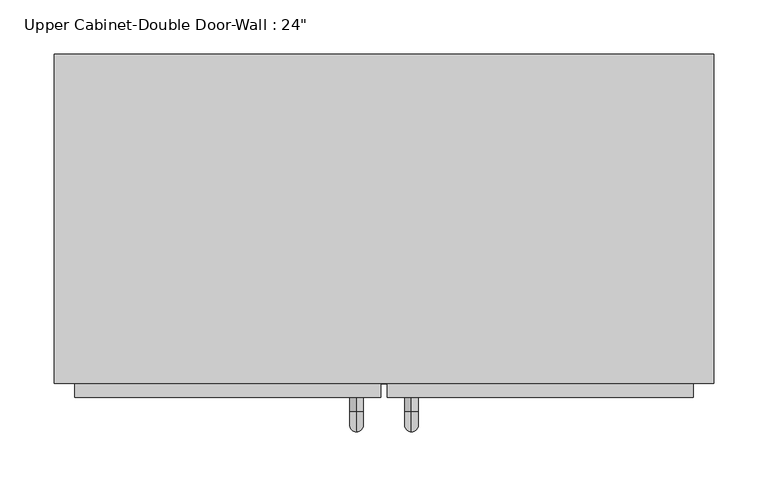
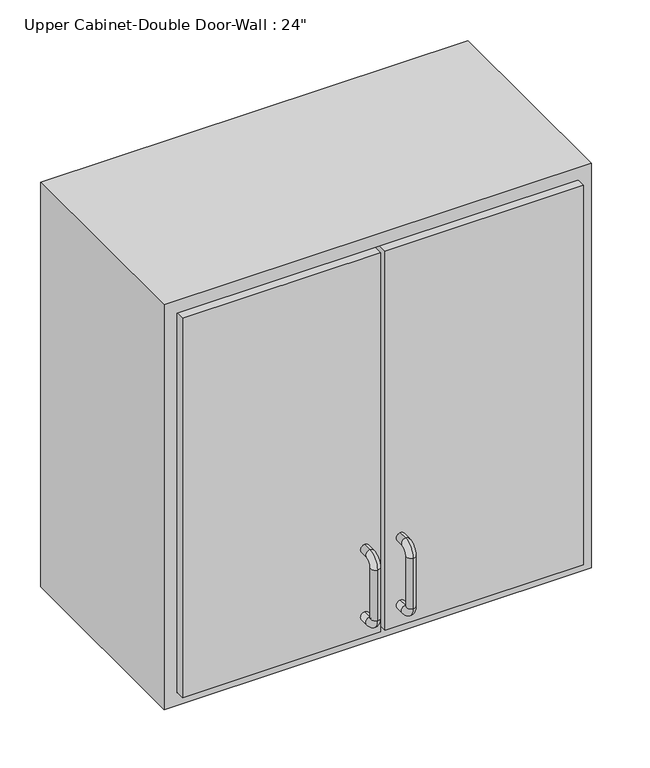
"""IFC4 building model written with IfcOpenShell, lengths in millimetres: furniture geometry."""

from ifc_helpers import new_model, si_unit, point, frame, origin, place, context, project, spatial, polyline, circle_curve, ellipse_curve, trimmed, outline, extrude, faceted_brep, source, transform, mapped, element, save
from ifc_brep_helpers import plane_surface, cylinder_surface, revolved_surface, advanced_brep


def furniture_967c3f8e(model_context):
    return source(origin(), model_context, "Body", "SolidModel", [
        faceted_brep([(-275.0288372, -76.2, 2133.6), (334.5711628, -76.2, 2133.6), (334.5711628, -76.2, 1524.0), (-275.0288372, -76.2, 1524.0), (-275.0288372, -381.0, 2133.6), (-275.0288372, -381.0, 1524.0), (334.5711628, -381.0, 1524.0), (334.5711628, -381.0, 2133.6), (-255.9788372, -381.0, 2114.55), (315.5211628, -381.0, 2114.55), (315.5211628, -381.0, 1543.05), (-255.9788372, -381.0, 1543.05), (-255.9788372, -95.25, 2114.55), (315.5211628, -95.25, 2114.55), (315.5211628, -95.25, 1543.05), (-255.9788372, -95.25, 1543.05)], [[[0, 1, 2, 3]], [[4, 5, 6, 7], [8, 9, 10, 11]], [[3, 5, 4, 0]], [[2, 6, 5, 3]], [[1, 7, 6, 2]], [[0, 4, 7, 1]], [[8, 12, 13, 9]], [[9, 13, 14, 10]], [[10, 14, 15, 11]], [[11, 15, 12, 8]], [[12, 15, 14, 13]]]),
        advanced_brep(
        [(55.1711628, -393.7, 1670.05), (55.1711628, -393.7, 1682.75), (55.1711628, -406.4, 1682.75), (55.1711628, -406.4, 1670.05), (55.1711628, -425.45, 1663.7), (55.1711628, -412.75, 1663.7), (55.1711628, -425.45, 1587.5), (55.1711628, -412.75, 1587.5), (55.1711628, -406.4, 1568.45), (55.1711628, -406.4, 1581.15), (55.1711628, -393.7, 1581.15), (55.1711628, -393.7, 1568.45)],
        [
            (0, 1, circle_curve(frame((55.1711628, -393.7, 1676.4), z_axis=(0.0, 1.0, 0.0), x_axis=(0.0, 0.0, -1.0)), 6.35)),
            (1, 0, circle_curve(frame((55.1711628, -393.7, 1676.4), z_axis=(0.0, 1.0, 0.0), x_axis=(0.0, 0.0, -1.0)), 6.35)),
            (1, 2),
            (2, 3, circle_curve(frame((55.1711628, -406.4, 1676.4), z_axis=(0.0, 1.0, 0.0), x_axis=(0.0, 0.0, -1.0)), 6.35)),
            (3, 0),
            (3, 2, circle_curve(frame((55.1711628, -406.4, 1676.4), z_axis=(0.0, 1.0, 0.0), x_axis=(0.0, 0.0, -1.0)), 6.35)),
            (4, 5, circle_curve(frame((55.1711628, -419.1, 1663.7), z_axis=(0.0, 0.0, 1.0), x_axis=(0.0, 1.0, 0.0)), 6.35)),
            (5, 3, circle_curve(frame((55.1711628, -406.4, 1663.7), z_axis=(-1.0, 0.0, 0.0), x_axis=(0.0, 0.0, 1.0)), 6.35)),
            (2, 4, circle_curve(frame((55.1711628, -406.4, 1663.7), z_axis=(1.0, 0.0, 0.0), x_axis=(0.0, 0.0, 1.0)), 19.05)),
            (5, 4, circle_curve(frame((55.1711628, -419.1, 1663.7), z_axis=(0.0, 0.0, 1.0), x_axis=(0.0, 1.0, 0.0)), 6.35)),
            (4, 6),
            (6, 7, circle_curve(frame((55.1711628, -419.1, 1587.5), z_axis=(0.0, 0.0, 1.0), x_axis=(0.0, 1.0, 0.0)), 6.35)),
            (7, 5),
            (7, 6, circle_curve(frame((55.1711628, -419.1, 1587.5), z_axis=(0.0, 0.0, 1.0), x_axis=(0.0, 1.0, 0.0)), 6.35)),
            (8, 9, circle_curve(frame((55.1711628, -406.4, 1574.8), z_axis=(0.0, -1.0, 0.0), x_axis=(0.0, 0.0, 1.0)), 6.35)),
            (9, 7, circle_curve(frame((55.1711628, -406.4, 1587.5), z_axis=(-1.0, 0.0, 0.0), x_axis=(0.0, -1.0, 0.0)), 6.35)),
            (6, 8, circle_curve(frame((55.1711628, -406.4, 1587.5), z_axis=(1.0, 0.0, 0.0), x_axis=(0.0, -1.0, 0.0)), 19.05)),
            (9, 8, circle_curve(frame((55.1711628, -406.4, 1574.8), z_axis=(0.0, -1.0, 0.0), x_axis=(0.0, 0.0, 1.0)), 6.35)),
            (10, 11, circle_curve(frame((55.1711628, -393.7, 1574.8), z_axis=(0.0, 1.0, 0.0), x_axis=(0.0, 0.0, 1.0)), 6.35)),
            (11, 10, circle_curve(frame((55.1711628, -393.7, 1574.8), z_axis=(0.0, 1.0, 0.0), x_axis=(0.0, 0.0, 1.0)), 6.35)),
            (8, 11),
            (10, 9),
        ],
        [
            plane_surface(frame((48.8211628, -393.7, 1676.4), z_axis=(0.0, 1.0, 0.0), x_axis=(0.0, 0.0, 1.0))),
            cylinder_surface(frame((55.1711628, -393.7, 1676.4), z_axis=(0.0, 1.0, 0.0), x_axis=(0.0, 0.0, -1.0)), 6.35),
            revolved_surface(trimmed(ellipse_curve(frame((55.1711628, -406.4, 1676.4), z_axis=(0.0, -1.0, 0.0), x_axis=(0.0, 0.0, -1.0)), 6.35, 6.35), [point((55.1711628, -406.4, 1670.05))], [point((55.1711628, -406.4, 1682.75))], True, "CARTESIAN"), (55.1711628, -406.4, 1663.7), (-1.0, 0.0, 0.0)),
            revolved_surface(trimmed(ellipse_curve(frame((55.1711628, -406.4, 1676.4), z_axis=(0.0, -1.0, 0.0), x_axis=(0.0, 0.0, -1.0)), 6.35, 6.35), [point((55.1711628, -406.4, 1682.75))], [point((55.1711628, -406.4, 1670.05))], True, "CARTESIAN"), (55.1711628, -406.4, 1663.7), (-1.0, 0.0, 0.0)),
            cylinder_surface(frame((55.1711628, -419.1, 1663.7), z_axis=(0.0, 0.0, 1.0), x_axis=(0.0, 1.0, 0.0)), 6.35),
            revolved_surface(trimmed(ellipse_curve(frame((55.1711628, -419.1, 1587.5), z_axis=(0.0, 0.0, -1.0), x_axis=(0.0, 1.0, 0.0)), 6.35, 6.35), [point((55.1711628, -412.75, 1587.5))], [point((55.1711628, -425.45, 1587.5))], True, "CARTESIAN"), (55.1711628, -406.4, 1587.5), (-1.0, 0.0, 0.0)),
            revolved_surface(trimmed(ellipse_curve(frame((55.1711628, -419.1, 1587.5), z_axis=(0.0, 0.0, -1.0), x_axis=(0.0, 1.0, 0.0)), 6.35, 6.35), [point((55.1711628, -425.45, 1587.5))], [point((55.1711628, -412.75, 1587.5))], True, "CARTESIAN"), (55.1711628, -406.4, 1587.5), (-1.0, 0.0, 0.0)),
            plane_surface(frame((48.8211628, -393.7, 1574.8), z_axis=(0.0, 1.0, 0.0), x_axis=(0.0, 0.0, -1.0))),
            cylinder_surface(frame((55.1711628, -406.4, 1574.8), z_axis=(0.0, -1.0, 0.0), x_axis=(0.0, 0.0, 1.0)), 6.35),
        ],
        [
            (0, [[1, 2]]),
            (1, [[3, 4, 5, -2]]),
            (1, [[-5, 6, -3, -1]]),
            (2, [[7, 8, -4, 9]]),
            (3, [[10, -9, -6, -8]]),
            (4, [[11, 12, 13, -7]]),
            (4, [[-13, 14, -11, -10]]),
            (5, [[15, 16, -12, 17]]),
            (6, [[18, -17, -14, -16]]),
            (7, [[19, 20]]),
            (8, [[21, -19, 22, -15]]),
            (8, [[-22, -20, -21, -18]]),
        ],
    ),
        advanced_brep(
        [(4.3711628, -393.7, 1670.05), (4.3711628, -393.7, 1682.75), (4.3711628, -406.4, 1682.75), (4.3711628, -406.4, 1670.05), (4.3711628, -425.45, 1663.7), (4.3711628, -412.75, 1663.7), (4.3711628, -425.45, 1587.5), (4.3711628, -412.75, 1587.5), (4.3711628, -406.4, 1568.45), (4.3711628, -406.4, 1581.15), (4.3711628, -393.7, 1581.15), (4.3711628, -393.7, 1568.45)],
        [
            (0, 1, circle_curve(frame((4.3711628, -393.7, 1676.4), z_axis=(0.0, 1.0, 0.0), x_axis=(0.0, 0.0, 1.0)), 6.35)),
            (1, 0, circle_curve(frame((4.3711628, -393.7, 1676.4), z_axis=(0.0, 1.0, 0.0), x_axis=(0.0, 0.0, 1.0)), 6.35)),
            (1, 2),
            (2, 3, circle_curve(frame((4.3711628, -406.4, 1676.4), z_axis=(0.0, 1.0, 0.0), x_axis=(0.0, 0.0, 1.0)), 6.35)),
            (3, 0),
            (3, 2, circle_curve(frame((4.3711628, -406.4, 1676.4), z_axis=(0.0, 1.0, 0.0), x_axis=(0.0, 0.0, 1.0)), 6.35)),
            (4, 5, circle_curve(frame((4.3711628, -419.1, 1663.7), z_axis=(0.0, 0.0, 1.0), x_axis=(0.0, -1.0, 0.0)), 6.35)),
            (5, 3, circle_curve(frame((4.3711628, -406.4, 1663.7), z_axis=(-1.0, 0.0, 0.0), x_axis=(0.0, 0.0, 1.0)), 6.35)),
            (2, 4, circle_curve(frame((4.3711628, -406.4, 1663.7), z_axis=(1.0, 0.0, 0.0), x_axis=(0.0, 0.0, 1.0)), 19.05)),
            (5, 4, circle_curve(frame((4.3711628, -419.1, 1663.7), z_axis=(0.0, 0.0, 1.0), x_axis=(0.0, -1.0, 0.0)), 6.35)),
            (4, 6),
            (6, 7, circle_curve(frame((4.3711628, -419.1, 1587.5), z_axis=(0.0, 0.0, 1.0), x_axis=(0.0, -1.0, 0.0)), 6.35)),
            (7, 5),
            (7, 6, circle_curve(frame((4.3711628, -419.1, 1587.5), z_axis=(0.0, 0.0, 1.0), x_axis=(0.0, -1.0, 0.0)), 6.35)),
            (8, 9, circle_curve(frame((4.3711628, -406.4, 1574.8), z_axis=(0.0, -1.0, 0.0), x_axis=(0.0, 0.0, -1.0)), 6.35)),
            (9, 7, circle_curve(frame((4.3711628, -406.4, 1587.5), z_axis=(-1.0, 0.0, 0.0), x_axis=(0.0, -1.0, 0.0)), 6.35)),
            (6, 8, circle_curve(frame((4.3711628, -406.4, 1587.5), z_axis=(1.0, 0.0, 0.0), x_axis=(0.0, -1.0, 0.0)), 19.05)),
            (9, 8, circle_curve(frame((4.3711628, -406.4, 1574.8), z_axis=(0.0, -1.0, 0.0), x_axis=(0.0, 0.0, -1.0)), 6.35)),
            (10, 11, circle_curve(frame((4.3711628, -393.7, 1574.8), z_axis=(0.0, 1.0, 0.0), x_axis=(0.0, 0.0, -1.0)), 6.35)),
            (11, 10, circle_curve(frame((4.3711628, -393.7, 1574.8), z_axis=(0.0, 1.0, 0.0), x_axis=(0.0, 0.0, -1.0)), 6.35)),
            (8, 11),
            (10, 9),
        ],
        [
            plane_surface(frame((-1.9788372, -393.7, 1676.4), z_axis=(0.0, 1.0, 0.0), x_axis=(0.0, 0.0, 1.0))),
            cylinder_surface(frame((4.3711628, -393.7, 1676.4), z_axis=(0.0, 1.0, 0.0), x_axis=(0.0, 0.0, 1.0)), 6.35),
            revolved_surface(trimmed(ellipse_curve(frame((4.3711628, -406.4, 1676.4), z_axis=(0.0, -1.0, 0.0), x_axis=(0.0, 0.0, 1.0)), 6.35, 6.35), [point((4.3711628, -406.4, 1670.05))], [point((4.3711628, -406.4, 1682.75))], True, "CARTESIAN"), (4.3711628, -406.4, 1663.7), (-1.0, 0.0, 0.0)),
            revolved_surface(trimmed(ellipse_curve(frame((4.3711628, -406.4, 1676.4), z_axis=(0.0, -1.0, 0.0), x_axis=(0.0, 0.0, 1.0)), 6.35, 6.35), [point((4.3711628, -406.4, 1682.75))], [point((4.3711628, -406.4, 1670.05))], True, "CARTESIAN"), (4.3711628, -406.4, 1663.7), (-1.0, 0.0, 0.0)),
            cylinder_surface(frame((4.3711628, -419.1, 1663.7), z_axis=(0.0, 0.0, 1.0), x_axis=(0.0, -1.0, 0.0)), 6.35),
            revolved_surface(trimmed(ellipse_curve(frame((4.3711628, -419.1, 1587.5), z_axis=(0.0, 0.0, -1.0), x_axis=(0.0, -1.0, 0.0)), 6.35, 6.35), [point((4.3711628, -412.75, 1587.5))], [point((4.3711628, -425.45, 1587.5))], True, "CARTESIAN"), (4.3711628, -406.4, 1587.5), (-1.0, 0.0, 0.0)),
            revolved_surface(trimmed(ellipse_curve(frame((4.3711628, -419.1, 1587.5), z_axis=(0.0, 0.0, -1.0), x_axis=(0.0, -1.0, 0.0)), 6.35, 6.35), [point((4.3711628, -425.45, 1587.5))], [point((4.3711628, -412.75, 1587.5))], True, "CARTESIAN"), (4.3711628, -406.4, 1587.5), (-1.0, 0.0, 0.0)),
            plane_surface(frame((-1.9788372, -393.7, 1574.8), z_axis=(0.0, 1.0, 0.0), x_axis=(0.0, 0.0, -1.0))),
            cylinder_surface(frame((4.3711628, -406.4, 1574.8), z_axis=(0.0, -1.0, 0.0), x_axis=(0.0, 0.0, -1.0)), 6.35),
        ],
        [
            (0, [[1, 2]]),
            (1, [[3, 4, 5, -2]]),
            (1, [[-5, 6, -3, -1]]),
            (2, [[7, 8, -4, 9]]),
            (3, [[10, -9, -6, -8]]),
            (4, [[11, 12, 13, -7]]),
            (4, [[-13, 14, -11, -10]]),
            (5, [[15, 16, -12, 17]]),
            (6, [[18, -17, -14, -16]]),
            (7, [[19, 20]]),
            (8, [[21, -19, 22, -15]]),
            (8, [[-22, -20, -21, -18]]),
        ],
    ),
        extrude(outline(polyline([(32.9461628, -393.7), (32.9461628, -361.95), (315.5211628, -361.95), (315.5211628, -393.7), (32.9461628, -393.7)])), frame((0.0, 0.0, 1543.05), z_axis=(0.0, 0.0, 1.0), x_axis=(1.0, 0.0, 0.0)), (0.0, 0.0, 1.0), 571.5),
        extrude(outline(polyline([(-255.9788372, -393.7), (-255.9788372, -361.95), (26.5961628, -361.95), (26.5961628, -393.7), (-255.9788372, -393.7)])), frame((0.0, 0.0, 1543.05), z_axis=(0.0, 0.0, 1.0), x_axis=(1.0, 0.0, 0.0)), (0.0, 0.0, 1.0), 571.5),
    ])


if __name__ == "__main__":
    model = new_model("IFC4")
    model_context = context("Model", 3, world=origin())
    ifc_project = project(units=[si_unit("LENGTHUNIT", "METRE", prefix="MILLI")], contexts=[model_context])
    site = spatial("IfcSite", under=ifc_project)
    building = spatial("IfcBuilding", under=site)
    placement = place(None, origin())
    furniture_shape = furniture_967c3f8e(model_context)
    element("IfcFurniture", 1, ObjectType="Upper Cabinet-Double Door-Wall : 24\"", at=placement, inside=building, context=model_context, shape_type="MappedRepresentation", body=[
        mapped(furniture_shape, transform((0.0, 0.0, 0.0), x_axis=(1.0, 0.0, 0.0), y_axis=(0.0, 1.0, 0.0), z_axis=(0.0, 0.0, 1.0))),
    ])
    save(model, "model.ifc")
